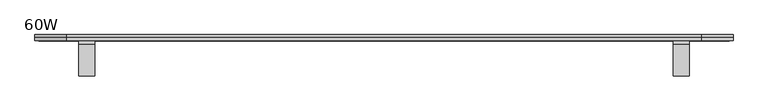
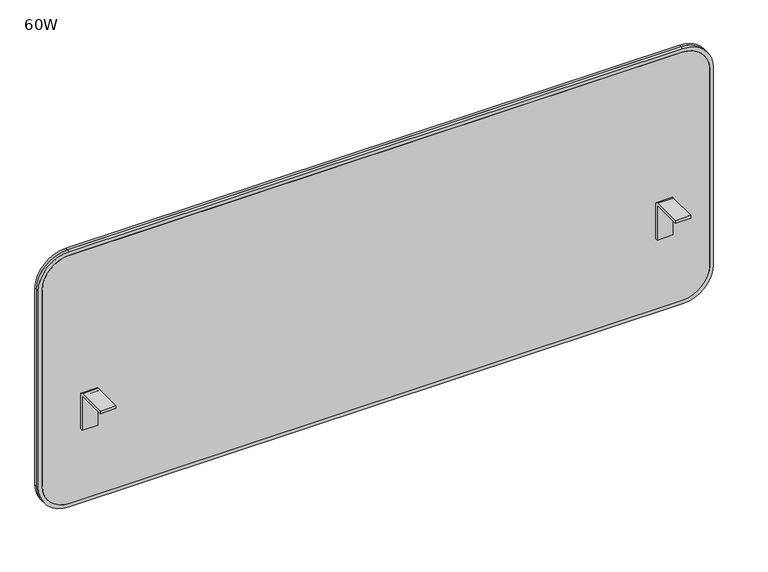
"""IFC4 building model written with IfcOpenShell, lengths in millimetres: furniture geometry, 60W."""

from ifc_helpers import new_model, si_unit, point, frame, frame_2d, origin, place, context, project, spatial, polyline, circle_curve, trimmed, segment, composite_curve, outline, extrude, source, transform, mapped, element, save


def furniture_60w_bc78551b(model_context):
    return source(origin(), model_context, "Body", "SweptSolid", [
        extrude(outline(composite_curve([segment(trimmed(circle_curve(frame_2d((1053.0423494, -161.0652966)), 62.1881015), [point((1115.2304508, -161.0652966))], [point((1053.0423494, -223.2533981))], False, "CARTESIAN"), True, "CONTINUOUS"), segment(polyline([(1053.0423494, -223.2533981), (585.0986816, -223.2533981)]), True, "CONTINUOUS"), segment(trimmed(circle_curve(frame_2d((585.0986816, -161.1407165)), 62.1126816), [point((585.0986816, -223.2533981))], [point((522.986, -161.1407165))], False, "CARTESIAN"), True, "CONTINUOUS"), segment(polyline([(522.986, -161.1407165), (522.986, 1221.180049)]), True, "CONTINUOUS"), segment(trimmed(circle_curve(frame_2d((585.2155145, 1221.180049)), 62.2295145), [point((522.986, 1221.180049))], [point((585.2155145, 1283.4095635))], False, "CARTESIAN"), True, "CONTINUOUS"), segment(polyline([(585.2155145, 1283.4095635), (1053.042303, 1283.4095635)]), True, "CONTINUOUS"), segment(trimmed(circle_curve(frame_2d((1053.042303, 1221.2214157)), 62.1881478), [point((1053.042303, 1283.4095635))], [point((1115.2304508, 1221.2214157))], False, "CARTESIAN"), True, "CONTINUOUS"), segment(polyline([(1115.2304508, 1221.2214157), (1115.2304508, -161.0652966)]), True, "CONTINUOUS")], self_intersect=False)), frame((0.0, 5.6449406, 0.0), z_axis=(0.0, 1.0, 0.0), x_axis=(0.0, 0.0, 1.0)), (0.0, 0.0, 1.0), 6.6302155),
        extrude(outline(composite_curve([segment(polyline([(1123.8664508, 1222.2285682), (1123.8664508, -162.0724492)]), True, "CONTINUOUS"), segment(trimmed(circle_curve(frame_2d((1054.0169827, -162.0724492)), 69.8494681), [point((1123.8664508, -162.0724492))], [point((1054.0169827, -231.9219173))], False, "CARTESIAN"), True, "CONTINUOUS"), segment(polyline([(1054.0169827, -231.9219173), (584.2310153, -231.9219173)]), True, "CONTINUOUS"), segment(trimmed(circle_curve(frame_2d((584.2310153, -162.040902)), 69.8810153), [point((584.2310153, -231.9219173))], [point((514.35, -162.040902))], False, "CARTESIAN"), True, "CONTINUOUS"), segment(polyline([(514.35, -162.040902), (514.35, 1222.2285682)]), True, "CONTINUOUS"), segment(trimmed(circle_curve(frame_2d((584.1995145, 1222.2285682)), 69.8495145), [point((514.35, 1222.2285682))], [point((584.1995145, 1292.0780827))], False, "CARTESIAN"), True, "CONTINUOUS"), segment(polyline([(584.1995145, 1292.0780827), (1054.0169364, 1292.0780827)]), True, "CONTINUOUS"), segment(trimmed(circle_curve(frame_2d((1054.0169364, 1222.2285682)), 69.8495145), [point((1054.0169364, 1292.0780827))], [point((1123.8664508, 1222.2285682))], False, "CARTESIAN"), True, "CONTINUOUS")], self_intersect=False), holes=[composite_curve([segment(polyline([(522.986, 1221.180049), (522.986, -161.1407165)]), True, "CONTINUOUS"), segment(trimmed(circle_curve(frame_2d((585.0986816, -161.1407165)), 62.1126816), [point((522.986, -161.1407165))], [point((585.0986816, -223.2533981))], True, "CARTESIAN"), True, "CONTINUOUS"), segment(polyline([(585.0986816, -223.2533981), (1053.0423494, -223.2533981)]), True, "CONTINUOUS"), segment(trimmed(circle_curve(frame_2d((1053.0423494, -161.0652966)), 62.1881015), [point((1053.0423494, -223.2533981))], [point((1115.2304508, -161.0652966))], True, "CARTESIAN"), True, "CONTINUOUS"), segment(polyline([(1115.2304508, -161.0652966), (1115.2304508, 1221.2214157)]), True, "CONTINUOUS"), segment(trimmed(circle_curve(frame_2d((1053.042303, 1221.2214157)), 62.1881478), [point((1115.2304508, 1221.2214157))], [point((1053.042303, 1283.4095635))], True, "CARTESIAN"), True, "CONTINUOUS"), segment(polyline([(1053.042303, 1283.4095635), (585.2155145, 1283.4095635)]), True, "CONTINUOUS"), segment(trimmed(circle_curve(frame_2d((585.2155145, 1221.180049)), 62.2295145), [point((585.2155145, 1283.4095635))], [point((522.986, 1221.180049))], True, "CARTESIAN"), True, "CONTINUOUS")], self_intersect=False)]), frame((0.0, 5.6449406, 0.0), z_axis=(0.0, 1.0, 0.0), x_axis=(0.0, 0.0, 1.0)), (0.0, 0.0, 1.0), 6.6302155),
        extrude(outline(composite_curve([segment(trimmed(circle_curve(frame_2d((1053.0423494, -161.0652966)), 62.1881015), [point((1115.2304508, -161.0652966))], [point((1053.0423494, -223.2533981))], False, "CARTESIAN"), True, "CONTINUOUS"), segment(polyline([(1053.0423494, -223.2533981), (585.0986816, -223.2533981)]), True, "CONTINUOUS"), segment(trimmed(circle_curve(frame_2d((585.0986816, -161.1407165)), 62.1126816), [point((585.0986816, -223.2533981))], [point((522.986, -161.1407165))], False, "CARTESIAN"), True, "CONTINUOUS"), segment(polyline([(522.986, -161.1407165), (522.986, 1221.180049)]), True, "CONTINUOUS"), segment(trimmed(circle_curve(frame_2d((585.2155145, 1221.180049)), 62.2295145), [point((522.986, 1221.180049))], [point((585.2155145, 1283.4095635))], False, "CARTESIAN"), True, "CONTINUOUS"), segment(polyline([(585.2155145, 1283.4095635), (1053.042303, 1283.4095635)]), True, "CONTINUOUS"), segment(trimmed(circle_curve(frame_2d((1053.042303, 1221.2214157)), 62.1881478), [point((1053.042303, 1283.4095635))], [point((1115.2304508, 1221.2214157))], False, "CARTESIAN"), True, "CONTINUOUS"), segment(polyline([(1115.2304508, 1221.2214157), (1115.2304508, -161.0652966)]), True, "CONTINUOUS")], self_intersect=False)), frame((0.0, 12.2751561, 0.0), z_axis=(0.0, 1.0, 0.0), x_axis=(0.0, 0.0, 1.0)), (0.0, 0.0, 1.0), 6.6302155),
        extrude(outline(composite_curve([segment(polyline([(1123.8664508, 1222.2285682), (1123.8664508, -161.9602449)]), True, "CONTINUOUS"), segment(trimmed(circle_curve(frame_2d((1054.0169827, -161.9602449)), 69.8494681), [point((1123.8664508, -161.9602449))], [point((1054.0169827, -231.8097131))], False, "CARTESIAN"), True, "CONTINUOUS"), segment(polyline([(1054.0169827, -231.8097131), (584.2310153, -231.8097131)]), True, "CONTINUOUS"), segment(trimmed(circle_curve(frame_2d((584.2310153, -161.9286978)), 69.8810153), [point((584.2310153, -231.8097131))], [point((514.35, -161.9286978))], False, "CARTESIAN"), True, "CONTINUOUS"), segment(polyline([(514.35, -161.9286978), (514.35, 1222.2285682)]), True, "CONTINUOUS"), segment(trimmed(circle_curve(frame_2d((584.1995145, 1222.2285682)), 69.8495145), [point((514.35, 1222.2285682))], [point((584.1995145, 1292.0780827))], False, "CARTESIAN"), True, "CONTINUOUS"), segment(polyline([(584.1995145, 1292.0780827), (1054.0169364, 1292.0780827)]), True, "CONTINUOUS"), segment(trimmed(circle_curve(frame_2d((1054.0169364, 1222.2285682)), 69.8495145), [point((1054.0169364, 1292.0780827))], [point((1123.8664508, 1222.2285682))], False, "CARTESIAN"), True, "CONTINUOUS")], self_intersect=False), holes=[composite_curve([segment(polyline([(522.986, 1221.180049), (522.986, -161.1407165)]), True, "CONTINUOUS"), segment(trimmed(circle_curve(frame_2d((585.0986816, -161.1407165)), 62.1126816), [point((522.986, -161.1407165))], [point((585.0986816, -223.2533981))], True, "CARTESIAN"), True, "CONTINUOUS"), segment(polyline([(585.0986816, -223.2533981), (1053.0423494, -223.2533981)]), True, "CONTINUOUS"), segment(trimmed(circle_curve(frame_2d((1053.0423494, -161.0652966)), 62.1881015), [point((1053.0423494, -223.2533981))], [point((1115.2304508, -161.0652966))], True, "CARTESIAN"), True, "CONTINUOUS"), segment(polyline([(1115.2304508, -161.0652966), (1115.2304508, 1221.2214157)]), True, "CONTINUOUS"), segment(trimmed(circle_curve(frame_2d((1053.042303, 1221.2214157)), 62.1881478), [point((1115.2304508, 1221.2214157))], [point((1053.042303, 1283.4095635))], True, "CARTESIAN"), True, "CONTINUOUS"), segment(polyline([(1053.042303, 1283.4095635), (585.2155145, 1283.4095635)]), True, "CONTINUOUS"), segment(trimmed(circle_curve(frame_2d((585.2155145, 1221.180049)), 62.2295145), [point((585.2155145, 1283.4095635))], [point((522.986, 1221.180049))], True, "CARTESIAN"), True, "CONTINUOUS")], self_intersect=False)]), frame((0.0, 12.2751561, 0.0), z_axis=(0.0, 1.0, 0.0), x_axis=(0.0, 0.0, 1.0)), (0.0, 0.0, 1.0), 6.6302155),
        extrude(outline(composite_curve([segment(polyline([(-71.3137766, 780.9664508), (-2.6191465, 780.9664508)]), True, "CONTINUOUS"), segment(trimmed(circle_curve(frame_2d((-2.6191465, 772.8090436)), 8.1574072), [point((-2.6191465, 780.9664508))], [point((5.5382607, 772.8090436))], False, "CARTESIAN"), True, "CONTINUOUS"), segment(polyline([(5.5382607, 772.8090436), (5.5382607, 692.0664993), (-0.6843972, 692.0664993), (-0.6843972, 772.7753111)]), True, "CONTINUOUS"), segment(trimmed(circle_curve(frame_2d((-2.6525157, 772.7753111)), 1.9681185), [point((-0.6843972, 772.7753111))], [point((-2.6525157, 774.7434295))], True, "CARTESIAN"), True, "CONTINUOUS"), segment(polyline([(-2.6525157, 774.7434295), (-71.3137766, 774.7434295), (-71.3137766, 780.9664508)]), True, "CONTINUOUS")], self_intersect=False)), frame((1161.2718057, 0.0, 0.0), z_axis=(1.0, 0.0, 0.0), x_axis=(0.0, 1.0, 0.0)), (0.0, 0.0, 1.0), 35.5562769),
        extrude(outline(composite_curve([segment(polyline([(-71.3137766, 780.9664508), (-2.6191465, 780.9664508)]), True, "CONTINUOUS"), segment(trimmed(circle_curve(frame_2d((-2.6191465, 772.8090436)), 8.1574072), [point((-2.6191465, 780.9664508))], [point((5.5382607, 772.8090436))], False, "CARTESIAN"), True, "CONTINUOUS"), segment(polyline([(5.5382607, 772.8090436), (5.5382607, 692.0664993), (-0.6843972, 692.0664993), (-0.6843972, 772.7753111)]), True, "CONTINUOUS"), segment(trimmed(circle_curve(frame_2d((-2.6525157, 772.7753111)), 1.9681185), [point((-0.6843972, 772.7753111))], [point((-2.6525157, 774.7434295))], True, "CARTESIAN"), True, "CONTINUOUS"), segment(polyline([(-2.6525157, 774.7434295), (-71.3137766, 774.7434295), (-71.3137766, 780.9664508)]), True, "CONTINUOUS")], self_intersect=False)), frame((-136.6719173, 0.0, 0.0), z_axis=(1.0, 0.0, 0.0), x_axis=(0.0, 1.0, 0.0)), (0.0, 0.0, 1.0), 35.5562769),
    ])


if __name__ == "__main__":
    model = new_model("IFC4")
    model_context = context("Model", 3, world=origin())
    ifc_project = project(units=[si_unit("LENGTHUNIT", "METRE", prefix="MILLI")], contexts=[model_context])
    site = spatial("IfcSite", under=ifc_project)
    building = spatial("IfcBuilding", under=site)
    placement = place(None, origin())
    furniture_60w_shape = furniture_60w_bc78551b(model_context)
    element("IfcFurniture", 1, ObjectType="60W", at=placement, inside=building, context=model_context, shape_type="MappedRepresentation", body=[
        mapped(furniture_60w_shape, transform((0.0, 0.0, 0.0), x_axis=(1.0, 0.0, 0.0), y_axis=(0.0, 1.0, 0.0), z_axis=(0.0, 0.0, 1.0))),
    ])
    save(model, "model.ifc")
